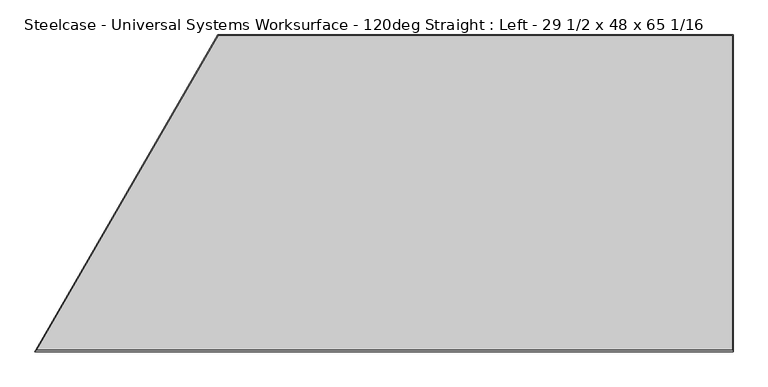
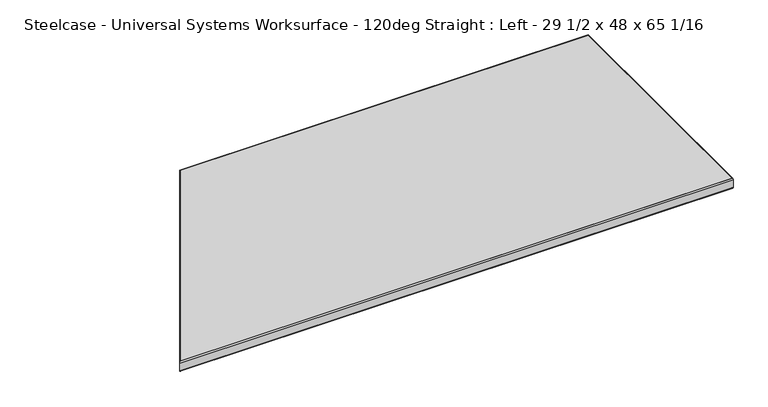
"""IFC4 building model written with IfcOpenShell, lengths in millimetres: furniture geometry, Steelcase - Universal Systems Worksurface - 120deg Straight : Left - 29 1/2 x 48 x 65 1/16."""

from ifc_helpers import new_model, si_unit, frame, origin, place, context, project, spatial, polyline, circle_curve, ellipse_curve, outline, extrude, source, transform, mapped, element, save
from ifc_brep_helpers import plane_surface, cylinder_surface, advanced_brep


def steelcase_universal_systems_worksurface_120deg_straight_left_1802a6ad(model_context):
    return source(origin(), model_context, "Body", "SolidModel", [
        advanced_brep(
        [(1651.762, 152.3999516, 723.944474), (432.6088814, 152.3999516, 723.944474), (1.7323755, -593.9000484, 723.944474), (2.8760937, -593.9000484, 723.944474), (433.1806549, 151.4093143, 723.944474), (1650.7713655, 151.4093143, 723.944474), (1650.7713655, -593.9000484, 723.944474), (1651.762, -593.9000484, 723.944474), (1651.762, 152.3999516, 693.781974), (1651.762, -593.9000484, 693.781974), (1650.7713655, -593.9053542, 693.781974), (1650.7713655, 151.4093143, 693.781974), (433.1806549, 151.4093143, 693.781974), (2.8760937, -593.9000484, 693.781974), (1.7323755, -593.9053542, 693.781974), (432.6088814, 152.3999516, 693.781974), (1651.762, -596.9000484, 720.9472733), (1651.762, -596.9000484, 696.77932), (0.0003247, -596.9000484, 720.9472733), (0.0003247, -596.9000484, 696.77932)],
        [
            (0, 1),
            (1, 2),
            (2, 3),
            (3, 4),
            (4, 5),
            (5, 6),
            (6, 7),
            (7, 0),
            (8, 9),
            (9, 10),
            (10, 11),
            (11, 12),
            (12, 13),
            (13, 14),
            (14, 15),
            (15, 8),
            (0, 8),
            (15, 1),
            (3, 13),
            (12, 4),
            (11, 5),
            (10, 6),
            (7, 16, circle_curve(frame((1651.762, -593.9028464, 720.9472733), z_axis=(1.0, 0.0, 0.0), x_axis=(0.0, 1.0, 0.0)), 2.9972021)),
            (16, 17),
            (17, 9, circle_curve(frame((1651.762, -593.9027013, 696.77932), z_axis=(1.0, 0.0, 0.0), x_axis=(0.0, 1.0, 0.0)), 2.9973471)),
            (10, 13),
            (3, 6),
            (2, 18, ellipse_curve(frame((1.7307601, -593.9028464, 720.9472733), z_axis=(0.8660254037844309, -0.5000000000000135, 0.0), x_axis=(0.5000000000000132, 0.866025403784431, 0.0)), 3.4608709, 2.9972021)),
            (18, 16),
            (18, 19),
            (19, 17),
            (19, 14, ellipse_curve(frame((1.7308438, -593.9027013, 696.77932), z_axis=(0.8660254037844309, -0.5000000000000135, 0.0), x_axis=(0.5000000000000132, 0.866025403784431, 0.0)), 3.4610383, 2.9973471)),
        ],
        [
            plane_surface(frame((432.6088814, 152.3999516, 723.944474), z_axis=(0.0, 0.0, 1.0), x_axis=(-1.0, 0.0, 0.0))),
            plane_surface(frame((432.6088814, 152.3999516, 693.781974), z_axis=(0.0, 0.0, -1.0), x_axis=(1.0, 0.0, 0.0))),
            plane_surface(frame((1651.762, 152.3999516, 723.944474), z_axis=(0.0, 1.0, 0.0), x_axis=(0.0, 0.0, -1.0))),
            plane_surface(frame((2.8760937, -593.9000484, 723.944474), z_axis=(0.8660254037844382, -0.5000000000000009, 0.0), x_axis=(0.0, 0.0, -1.0))),
            plane_surface(frame((433.1806549, 151.4093143, 723.944474), z_axis=(0.0, -1.0, 0.0), x_axis=(0.0, 0.0, -1.0))),
            plane_surface(frame((1650.7713655, 151.4093143, 723.944474), z_axis=(-1.0, 0.0, 0.0), x_axis=(0.0, 0.0, -1.0))),
            plane_surface(frame((1651.762, -593.9000484, 723.944474), z_axis=(1.0, 0.0, 0.0), x_axis=(0.0, 0.0, 1.0))),
            plane_surface(frame((1651.762, -593.9000484, 693.781974), z_axis=(0.0, 1.0, 0.0), x_axis=(-1.0, 0.0, 0.0))),
            cylinder_surface(frame((0.0, -593.9028464, 720.9472733), z_axis=(1.0, 0.0, 0.0), x_axis=(0.0, 1.0, 0.0)), 2.9972021),
            plane_surface(frame((1651.762, -596.9000484, 720.9472733), z_axis=(0.0, -1.0, 0.0), x_axis=(-1.0, 0.0, 0.0))),
            cylinder_surface(frame((0.0, -593.9027013, 696.77932), z_axis=(1.0, 0.0, 0.0), x_axis=(0.0, 1.0, 0.0)), 2.9973471),
            plane_surface(frame((0.0, -596.9006108, 723.944474), z_axis=(-0.8660254037844309, 0.5000000000000135, 0.0), x_axis=(0.0, 0.0, -1.0))),
        ],
        [
            (0, [[1, 2, 3, 4, 5, 6, 7, 8]]),
            (1, [[9, 10, 11, 12, 13, 14, 15, 16]]),
            (2, [[-1, 17, -16, 18]]),
            (3, [[-4, 19, -13, 20]]),
            (4, [[-5, -20, -12, 21]]),
            (5, [[-6, -21, -11, 22]]),
            (6, [[23, 24, 25, -9, -17, -8]]),
            (7, [[26, -19, 27, -22]]),
            (8, [[-23, -7, -27, -3, 28, 29]]),
            (9, [[-24, -29, 30, 31]]),
            (10, [[-25, -31, 32, -14, -26, -10]]),
            (11, [[-28, -2, -18, -15, -32, -30]]),
        ],
    ),
        extrude(outline(polyline([(1650.7713655, 151.4093143), (1650.7713655, -593.9000484), (2.8760937, -593.9000484), (433.1806549, 151.4093143), (1650.7713655, 151.4093143)])), frame((0.0, 0.0, 693.781974), z_axis=(0.0, 0.0, 1.0), x_axis=(1.0, 0.0, 0.0)), (0.0, 0.0, 1.0), 30.1625),
    ])


if __name__ == "__main__":
    model = new_model("IFC4")
    model_context = context("Model", 3, world=origin())
    ifc_project = project(units=[si_unit("LENGTHUNIT", "METRE", prefix="MILLI")], contexts=[model_context])
    site = spatial("IfcSite", under=ifc_project)
    building = spatial("IfcBuilding", under=site)
    placement = place(None, origin())
    steelcase_universal_systems_worksurface_120deg_straight_left_shape = steelcase_universal_systems_worksurface_120deg_straight_left_1802a6ad(model_context)
    element("IfcFurniture", 1, ObjectType="Steelcase - Universal Systems Worksurface - 120deg Straight : Left - 29 1/2 x 48 x 65 1/16", at=placement, inside=building, context=model_context, shape_type="MappedRepresentation", body=[
        mapped(steelcase_universal_systems_worksurface_120deg_straight_left_shape, transform((0.0, 0.0, 0.0), x_axis=(1.0, 0.0, 0.0), y_axis=(0.0, 1.0, 0.0), z_axis=(0.0, 0.0, 1.0))),
    ])
    save(model, "model.ifc")
